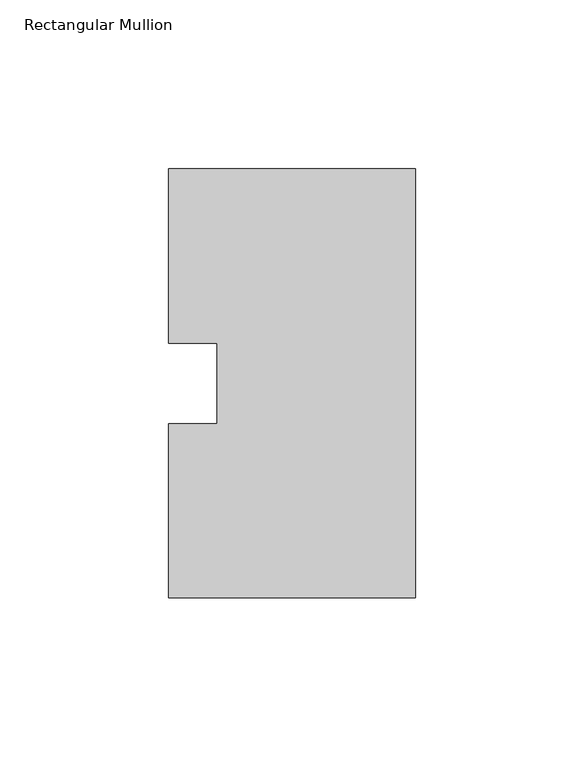
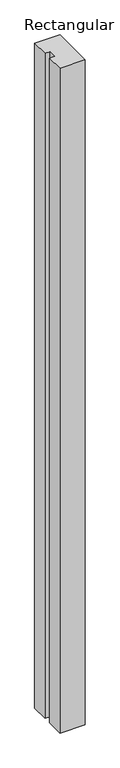
"""IFC4 building model written with IfcOpenShell, lengths in millimetres: member geometry, Rectangular Mullion."""

from ifc_helpers import new_model, si_unit, frame, origin, place, context, project, spatial, polyline, outline, extrude, source, transform, mapped, element, save


def rectangular_mullion_a2e0f012(model_context):
    return source(origin(), model_context, "Body", "SweptSolid", [
        extrude(outline(polyline([(0.0, 127.00635), (0.0, 0.00635), (-73.025, 0.00635), (-73.025, 51.60645), (-58.7375, 51.60645), (-58.7375, 75.40625), (-73.025, 75.40625), (-73.025, 127.00635), (0.0, 127.00635)])), frame((0.0, 0.0, -2043.5237), z_axis=(0.0, 0.0, 1.0), x_axis=(1.0, 0.0, 0.0)), (0.0, 0.0, 1.0), 2043.5237),
    ])


if __name__ == "__main__":
    model = new_model("IFC4")
    model_context = context("Model", 3, world=origin())
    ifc_project = project(units=[si_unit("LENGTHUNIT", "METRE", prefix="MILLI")], contexts=[model_context])
    site = spatial("IfcSite", under=ifc_project)
    building = spatial("IfcBuilding", under=site)
    placement = place(None, origin())
    rectangular_mullion_shape = rectangular_mullion_a2e0f012(model_context)
    element("IfcMember", 1, ObjectType="Rectangular Mullion", at=placement, inside=building, context=model_context, shape_type="MappedRepresentation", body=[
        mapped(rectangular_mullion_shape, transform((0.0, 0.0, 0.0), x_axis=(1.0, 0.0, 0.0), y_axis=(0.0, 1.0, 0.0), z_axis=(0.0, 0.0, 1.0))),
    ])
    save(model, "model.ifc")
